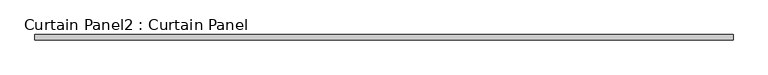
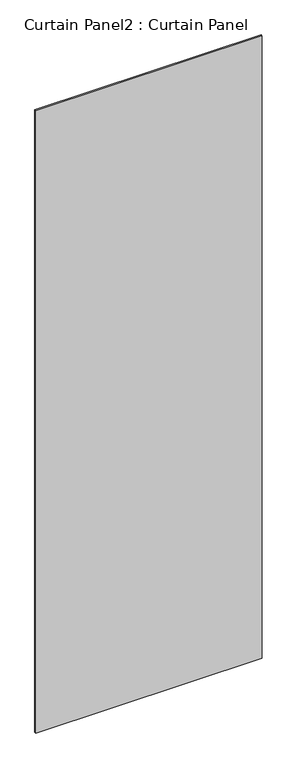
"""IFC4 building model written with IfcOpenShell, lengths in millimetres: plate geometry, Curtain Panel2 : Curtain Panel."""

from ifc_helpers import new_model, si_unit, frame, origin, place, context, project, spatial, polyline, outline, extrude, source, transform, mapped, element, save


def curtain_panel2_curtain_panel_e4fd7a81(model_context):
    return source(origin(), model_context, "Body", "SweptSolid", [
        extrude(outline(polyline([(15056.6378826, -1014.4351177), (13723.3047097, -1014.4351177), (13723.3047097, -1004.4351177), (15056.6378826, -1004.4351177), (15056.6378826, -1014.4351177)])), frame((0.0, 0.0, 9162.5), z_axis=(0.0, 0.0, 1.0), x_axis=(1.0, 0.0, 0.0)), (0.0, 0.0, 1.0), 3870.5),
    ])


if __name__ == "__main__":
    model = new_model("IFC4")
    model_context = context("Model", 3, world=origin())
    ifc_project = project(units=[si_unit("LENGTHUNIT", "METRE", prefix="MILLI")], contexts=[model_context])
    site = spatial("IfcSite", under=ifc_project)
    building = spatial("IfcBuilding", under=site)
    placement = place(None, origin())
    curtain_panel2_curtain_panel_shape = curtain_panel2_curtain_panel_e4fd7a81(model_context)
    element("IfcPlate", 1, ObjectType="Curtain Panel2 : Curtain Panel", at=placement, inside=building, context=model_context, shape_type="MappedRepresentation", body=[
        mapped(curtain_panel2_curtain_panel_shape, transform((0.0, 0.0, 0.0), x_axis=(1.0, 0.0, 0.0), y_axis=(0.0, 1.0, 0.0), z_axis=(0.0, 0.0, 1.0))),
    ])
    save(model, "model.ifc")
